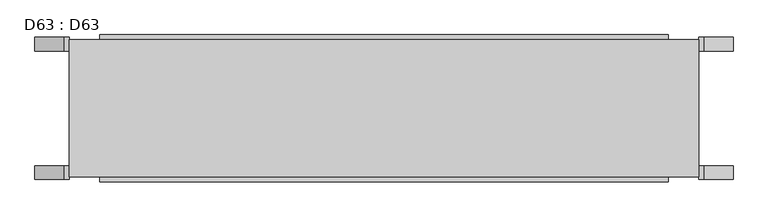
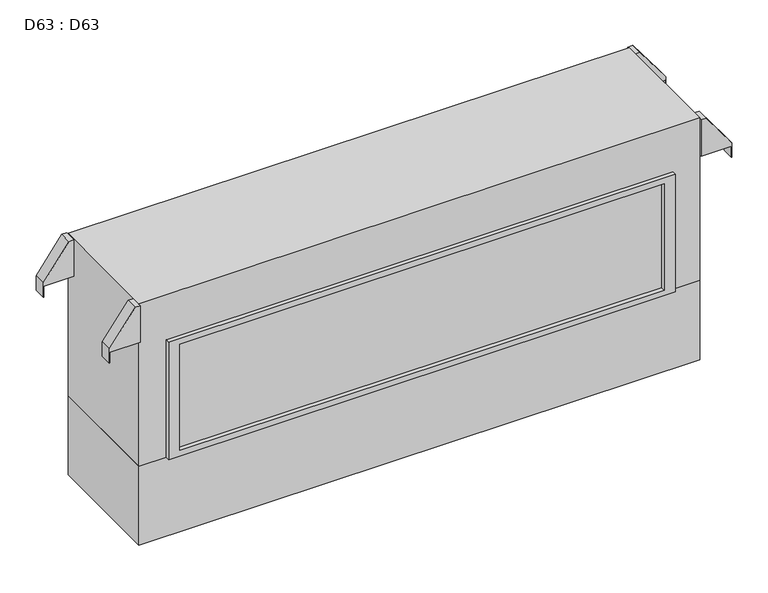
"""IFC4 building model written with IfcOpenShell, lengths in millimetres: proxy geometry, D63 : D63."""

from ifc_helpers import new_model, si_unit, frame, origin, origin_with_axes, place, context, project, spatial, polyline, outline, extrude, source, transform, mapped, element, save


def d63_d63_df010d6a(model_context):
    return source(origin(), model_context, "Body", "SweptSolid", [
        extrude(outline(polyline([(713.4225077, -925.5125), (840.4225077, -925.5125), (840.4225077, -942.3019363), (725.287543, -1026.8840267), (675.3225292, -1026.8840267), (675.3225292, -1025.3600552), (713.4225077, -1025.3600552), (713.4225077, -925.5125)])), frame((0.0, 169.1535326, 0.0), z_axis=(0.0, 1.0, 0.0), x_axis=(0.0, 0.0, 1.0)), (0.0, 0.0, 1.0), 40.3964674),
        extrude(outline(polyline([(713.4225077, -925.5125), (840.4225077, -925.5125), (840.4225077, -942.3019363), (725.287543, -1026.8840267), (675.3225292, -1026.8840267), (675.3225292, -1025.3600552), (713.4225077, -1025.3600552), (713.4225077, -925.5125)])), frame((0.0, -209.55, 0.0), z_axis=(0.0, 1.0, 0.0), x_axis=(0.0, 0.0, 1.0)), (0.0, 0.0, 1.0), 40.3964674),
        extrude(outline(polyline([(713.4225077, 925.5125), (713.4225077, 1025.3600552), (675.3225292, 1025.3600552), (675.3225292, 1026.8840267), (725.287543, 1026.8840267), (840.4225077, 942.3019363), (840.4225077, 925.5125), (713.4225077, 925.5125)])), frame((0.0, 169.1535326, 0.0), z_axis=(0.0, 1.0, 0.0), x_axis=(0.0, 0.0, 1.0)), (0.0, 0.0, 1.0), 40.3964674),
        extrude(outline(polyline([(713.4225077, 925.5125), (713.4225077, 1025.3600552), (675.3225292, 1025.3600552), (675.3225292, 1026.8840267), (725.287543, 1026.8840267), (840.4225077, 942.3019363), (840.4225077, 925.5125), (713.4225077, 925.5125)])), frame((0.0, -209.55, 0.0), z_axis=(0.0, 1.0, 0.0), x_axis=(0.0, 0.0, 1.0)), (0.0, 0.0, 1.0), 40.3964674),
        extrude(outline(polyline([(799.30625, 202.40625), (799.30625, -202.40625), (-799.30625, -202.40625), (-799.30625, 202.40625), (799.30625, 202.40625)])), frame((0.0, 0.0, 295.275), z_axis=(0.0, 0.0, 1.0), x_axis=(1.0, 0.0, 0.0)), (0.0, 0.0, 1.0), 371.475),
        extrude(outline(polyline([(842.9625, 925.5125), (842.9625, -925.5125), (276.225, -925.5125), (276.225, -835.81875), (685.8, -835.81875), (685.8, 835.81875), (276.225, 835.81875), (276.225, 925.5125), (842.9625, 925.5125)])), frame((0.0, -202.40625, 0.0), z_axis=(0.0, 1.0, 0.0), x_axis=(0.0, 0.0, 1.0)), (0.0, 0.0, 1.0), 404.8125),
        extrude(outline(polyline([(685.8, 835.81875), (685.8, -835.81875), (276.225, -835.81875), (276.225, 835.81875), (685.8, 835.81875)]), holes=[polyline([(666.75, -799.30625), (666.75, 799.30625), (295.275, 799.30625), (295.275, -799.30625), (666.75, -799.30625)])]), frame((0.0, -216.69375, 0.0), z_axis=(0.0, 1.0, 0.0), x_axis=(0.0, 0.0, 1.0)), (0.0, 0.0, 1.0), 433.3875),
        extrude(outline(polyline([(925.5125, 202.40625), (925.5125, -202.40625), (-925.5125, -202.40625), (-925.5125, 202.40625), (925.5125, 202.40625)])), origin_with_axes(), (0.0, 0.0, 1.0), 276.225),
    ])


if __name__ == "__main__":
    model = new_model("IFC4")
    model_context = context("Model", 3, world=origin())
    ifc_project = project(units=[si_unit("LENGTHUNIT", "METRE", prefix="MILLI")], contexts=[model_context])
    site = spatial("IfcSite", under=ifc_project)
    building = spatial("IfcBuilding", under=site)
    placement = place(None, origin())
    d63_d63_shape = d63_d63_df010d6a(model_context)
    element("IfcBuildingElementProxy", 1, Name="D63 : D63", ObjectType="D63 : D63", at=placement, inside=building, context=model_context, shape_type="MappedRepresentation", body=[
        mapped(d63_d63_shape, transform((0.0, 0.0, 0.0), x_axis=(1.0, 0.0, 0.0), y_axis=(0.0, 1.0, 0.0), z_axis=(0.0, 0.0, 1.0))),
    ])
    save(model, "model.ifc")
